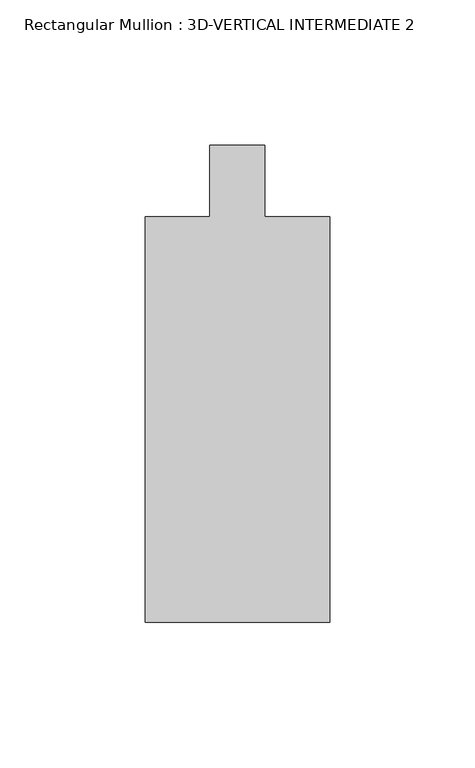
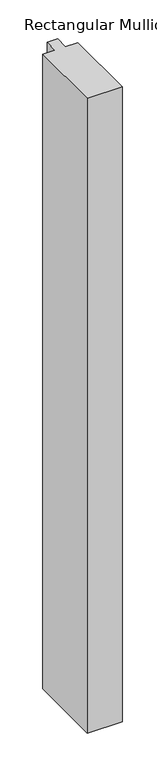
"""IFC4 building model written with IfcOpenShell, lengths in millimetres: member geometry, Rectangular Mullion : 3D-VERTICAL INTERMEDIATE 2."""

import ifcopenshell
import ifcopenshell.guid

model = None  # the IFC model being written
_history = None  # IfcOwnerHistory: only IFC2X3 demands one
_inside = {}  # id of a spatial element -> (the spatial element, [elements in it])
_under = {}  # id of a project, library or spatial element -> (it, [spatial elements below it])
_declared = {}  # id of a project -> (the project, [libraries it declares])
_typed = {}  # id of a type object -> (the type object, [elements of that type])
_made_of = {}  # id of a material, layer set ... -> (it, [elements and type objects made of it])


def new_model(schema):
    """Start an empty IFC model of exactly this schema.

    Asked for "IFC4X3", IfcOpenShell would pick the latest addendum, in which some entities
    have other attributes; the version numbers below select the first issue.
    IFC2X3 requires an IfcOwnerHistory on every rooted entity: one is made here for all.
    """
    global model, _history
    if schema == "IFC4X3":
        model = ifcopenshell.file(schema_version=(4, 3, 0, 0))
    else:
        model = ifcopenshell.file(schema=schema)
    _inside.clear()
    _under.clear()
    _declared.clear()
    _typed.clear()
    _made_of.clear()
    _history = None
    if model.schema == "IFC2X3":
        org = make("IfcOrganization", Name="unknown")
        user = make(
            "IfcPersonAndOrganization",
            ThePerson=make("IfcPerson", FamilyName="unknown"),
            TheOrganization=org,
        )
        app = make(
            "IfcApplication",
            ApplicationDeveloper=org,
            Version="unknown",
            ApplicationFullName="unknown",
            ApplicationIdentifier="unknown",
        )
        _history = make(
            "IfcOwnerHistory",
            OwningUser=user,
            OwningApplication=app,
            ChangeAction="ADDED",
            CreationDate=0,
        )
    return model


def make(cls, **values):
    """One entity of the class cls with the attributes given. An attribute that is None is left unset."""
    return model.create_entity(
        cls, **{name: value for name, value in values.items() if value is not None}
    )


def rooted(cls, **values):
    """An entity with a GlobalId (a new one), such as an element, a storey or a relation."""
    return make(cls, GlobalId=ifcopenshell.guid.new(), OwnerHistory=_history, **values)


def si_unit(unit_type, name, prefix=None):
    """IfcSIUnit, for example si_unit("LENGTHUNIT", "METRE", prefix="MILLI")."""
    return make("IfcSIUnit", UnitType=unit_type, Prefix=prefix, Name=name)


def assignment(units):
    """IfcUnitAssignment: the units of a project."""
    return None if units is None else make("IfcUnitAssignment", Units=units)


def point(xyz):
    """IfcCartesianPoint."""
    return None if xyz is None else make("IfcCartesianPoint", Coordinates=xyz)


def direction(xyz):
    """IfcDirection."""
    return None if xyz is None else make("IfcDirection", DirectionRatios=xyz)


def frame(location, z_axis=None, x_axis=None):
    """IfcAxis2Placement3D, a coordinate frame: its origin and axes. An axis left out is left unset."""
    return make(
        "IfcAxis2Placement3D",
        Location=point(location),
        Axis=direction(z_axis),
        RefDirection=direction(x_axis),
    )


def origin():
    """The frame at (0, 0, 0) with its axes left unset."""
    return frame((0.0, 0.0, 0.0))


def place(relative_to, where):
    """IfcLocalPlacement: puts the frame where relative to a parent placement (None: the world)."""
    return make(
        "IfcLocalPlacement", PlacementRelTo=relative_to, RelativePlacement=where
    )


def context(
    kind, dimensions, precision=None, world=None, true_north=None, identifier=None
):
    """IfcGeometricRepresentationContext, for example the 3D "Model" context."""
    return make(
        "IfcGeometricRepresentationContext",
        ContextIdentifier=identifier,
        ContextType=kind,
        CoordinateSpaceDimension=dimensions,
        Precision=precision,
        WorldCoordinateSystem=world,
        TrueNorth=true_north,
    )


def project(units=None, contexts=None):
    """IfcProject with its units and contexts."""
    return rooted(
        "IfcProject",
        Name="project",
        RepresentationContexts=contexts,
        UnitsInContext=assignment(units),
    )


def spatial(cls, under=None, at=None, **own):
    """A site, building, storey or space (cls), placed at a placement, below another one or the project."""
    s = rooted(cls, ObjectPlacement=at, **own)
    if under is not None:
        _under.setdefault(under.id(), (under, []))[1].append(s)
    return s


def polyline(points):
    """IfcPolyline through the points."""
    return make("IfcPolyline", Points=[point(p) for p in points])


def outline(outer, holes=None, kind="AREA"):
    """IfcArbitraryClosedProfileDef: a profile drawn as a closed curve; with holes, ...WithVoids."""
    if holes is None:
        return make("IfcArbitraryClosedProfileDef", ProfileType=kind, OuterCurve=outer)
    return make(
        "IfcArbitraryProfileDefWithVoids",
        ProfileType=kind,
        OuterCurve=outer,
        InnerCurves=holes,
    )


def extrude(swept, where, along, depth):
    """IfcExtrudedAreaSolid: the profile swept, set in the frame where, extruded along a direction by depth."""
    return make(
        "IfcExtrudedAreaSolid",
        SweptArea=swept,
        Position=where,
        ExtrudedDirection=direction(along),
        Depth=depth,
    )


def shape(context_of_items, identifier, shape_type, items):
    """IfcShapeRepresentation: the items that make up one representation, for example the "Body"."""
    return make(
        "IfcShapeRepresentation",
        ContextOfItems=context_of_items,
        RepresentationIdentifier=identifier,
        RepresentationType=shape_type,
        Items=items,
    )


def source(mapping_origin, context_of_items, identifier, shape_type, items):
    """IfcRepresentationMap: a shape defined once, which mapped items show again and again."""
    return make(
        "IfcRepresentationMap",
        MappingOrigin=mapping_origin,
        MappedRepresentation=shape(context_of_items, identifier, shape_type, items),
    )


def transform(
    local_origin,
    x_axis=None,
    y_axis=None,
    z_axis=None,
    scale=None,
    scale2=None,
    scale3=None,
    uniform=True,
):
    """IfcCartesianTransformationOperator3D, or its non-uniform kind. x_axis, y_axis, z_axis: its Axis1, 2, 3."""
    if uniform:
        return make(
            "IfcCartesianTransformationOperator3D",
            Axis1=direction(x_axis),
            Axis2=direction(y_axis),
            LocalOrigin=point(local_origin),
            Scale=scale,
            Axis3=direction(z_axis),
        )
    return make(
        "IfcCartesianTransformationOperator3DnonUniform",
        Axis1=direction(x_axis),
        Axis2=direction(y_axis),
        LocalOrigin=point(local_origin),
        Scale=scale,
        Axis3=direction(z_axis),
        Scale2=scale2,
        Scale3=scale3,
    )


def mapped(mapping_source, mapping_target):
    """IfcMappedItem: shows the shape of a source again, moved by a transform."""
    return make(
        "IfcMappedItem", MappingSource=mapping_source, MappingTarget=mapping_target
    )


def made_of(thing, what):
    """Note that an element or type object is made of a material, layer set ...; save() writes the relation."""
    if what is not None:
        _made_of.setdefault(what.id(), (what, []))[1].append(thing)
    return thing


def element(
    cls,
    number,
    at=None,
    inside=None,
    cuts=None,
    type_object=None,
    material=None,
    context=None,
    identifier="Body",
    shape_type=None,
    held_by="IfcProductDefinitionShape",
    body=None,
    shapes=None,
    **own,
):
    """One element of the class cls, such as IfcWall. Its Tag is "e" and its number.

    at: its placement. inside: the storey or other place that contains it. cuts: it is an
    opening in that element (IfcRelVoidsElement). A single representation is given by context,
    identifier, shape_type and body (its items); several are given by shapes. held_by: the class
    of the entity that holds the representations. save() writes the other relations.
    """
    e = rooted(cls, Tag="e%d" % number, ObjectPlacement=at, **own)
    if body is not None:
        shapes = [shape(context, identifier, shape_type, body)]
    if shapes is not None:
        e.Representation = make(held_by, Representations=shapes)
    if inside is not None:
        _inside.setdefault(inside.id(), (inside, []))[1].append(e)
    if cuts is not None:
        rooted(
            "IfcRelVoidsElement", RelatingBuildingElement=cuts, RelatedOpeningElement=e
        )
    if type_object is not None:
        _typed.setdefault(type_object.id(), (type_object, []))[1].append(e)
    return made_of(e, material)


def aggregate(whole, parts):
    """IfcRelAggregates: a whole, such as a stair, and the parts it consists of."""
    return rooted("IfcRelAggregates", RelatingObject=whole, RelatedObjects=parts)


def save(model, path):
    """Write the relations noted so far, then the file.

    IfcRelAggregates (storeys below a building ...), IfcRelContainedInSpatialStructure (elements
    in a storey), IfcRelDefinesByType, IfcRelAssociatesMaterial and IfcRelDeclares: one each for
    every whole, place, type object, material and project.
    """
    for whole, parts in _under.values():
        aggregate(whole, parts)
    for where, things in _inside.values():
        rooted(
            "IfcRelContainedInSpatialStructure",
            RelatedElements=things,
            RelatingStructure=where,
        )
    for kind, things in _typed.values():
        rooted("IfcRelDefinesByType", RelatedObjects=things, RelatingType=kind)
    for what, things in _made_of.values():
        rooted("IfcRelAssociatesMaterial", RelatedObjects=things, RelatingMaterial=what)
    for by, libraries in _declared.values():
        rooted("IfcRelDeclares", RelatingContext=by, RelatedDefinitions=libraries)
    model.write(path)


def rectangular_mullion_3d_vertical_intermediate_2_a5e317ca(model_context):
    return source(origin(), model_context, "Body", "SweptSolid", [
        extrude(outline(polyline([(31.75, -82.7484375), (-31.75, -82.7484375), (-31.75, 56.9515575), (-9.5251132, 56.9515575), (-9.5251132, 81.5701129), (9.5251132, 81.5701129), (9.5251132, 56.9515575), (31.75, 56.9515575), (31.75, -82.7484375)])), frame((0.0, 0.0, -1219.2), z_axis=(0.0, 0.0, 1.0), x_axis=(1.0, 0.0, 0.0)), (0.0, 0.0, 1.0), 1219.2),
    ])


if __name__ == "__main__":
    model = new_model("IFC4")
    model_context = context("Model", 3, world=origin())
    ifc_project = project(units=[si_unit("LENGTHUNIT", "METRE", prefix="MILLI")], contexts=[model_context])
    site = spatial("IfcSite", under=ifc_project)
    building = spatial("IfcBuilding", under=site)
    placement = place(None, origin())
    rectangular_mullion_3d_vertical_intermediate_2_shape = rectangular_mullion_3d_vertical_intermediate_2_a5e317ca(model_context)
    element("IfcMember", 1, ObjectType="Rectangular Mullion : 3D-VERTICAL INTERMEDIATE 2", at=placement, inside=building, context=model_context, shape_type="MappedRepresentation", body=[
        mapped(rectangular_mullion_3d_vertical_intermediate_2_shape, transform((0.0, 0.0, 0.0), x_axis=(1.0, 0.0, 0.0), y_axis=(0.0, 1.0, 0.0), z_axis=(0.0, 0.0, 1.0))),
    ])
    save(model, "model.ifc")
